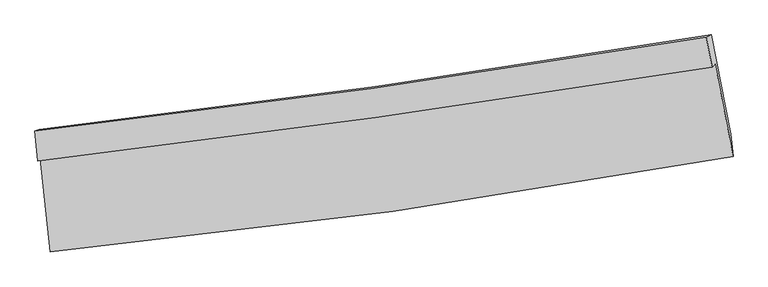
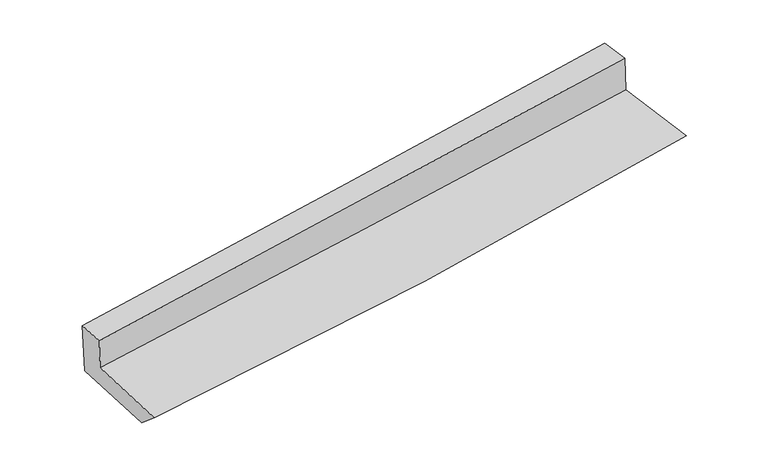
"""IFC4 building model written with IfcOpenShell, lengths in millimetres: proxy geometry."""

from ifc_helpers import new_model, si_unit, frame, origin, place, context, project, spatial, source, transform, mapped, element, save
from ifc_brep_helpers import plane_surface, spline_curve, spline_surface, advanced_brep


def generic_models_8fa0cfa0(model_context):
    return source(origin(), model_context, "Body", "AdvancedBrep", [
        advanced_brep(
        [(-2282.5595, -1833.2584975, 1758.5550822), (-2217.2749921, -2461.0696145, 1698.0776913), (2354.9368721, -1822.0469715, 2063.6975106), (2233.9457394, -1201.7565995, 2114.0509358), (-2298.957143, -1850.8907111, 1999.711835), (2214.503425, -1222.6627164, 2399.9850438), (-2319.2319628, -1651.5815214, 2012.9057552), (2175.278535, -1019.7629262, 2412.1529664), (-2290.7554583, -1639.043055, 1617.4131319), (2208.2211349, -1005.7346133, 1976.9698411), (-2222.5810307, -2299.0214388, 1559.8990354), (2338.1366273, -1671.7778787, 1922.9023249)],
        [
            (0, 1),
            (1, 2, spline_curve(3, [(-2217.2749921, -2461.0696145, 1698.0776913), (-1450.600523563, -2386.765733535, 1752.366590505), (-686.132676726, -2296.341221456, 1809.989437537), (837.93531428, -2083.314457089, 1931.866684662), (1597.538088813, -1960.731421674, 1996.117110727), (2354.9368721, -1822.0469715, 2063.6975106)], [4, 2, 4], [0.0, 7.553725477167856, 15.102947428127841])),
            (2, 3),
            (3, 0, spline_curve(3, [(2233.9457394, -1201.7565995, 2114.0509358), (1482.985697832, -1323.374878171, 2064.944511504), (731.242704867, -1436.795928409, 2010.776988349), (-774.258107192, -1647.306344389, 1892.284410919), (-1528.016860713, -1744.385926741, 1827.953316258), (-2282.5595, -1833.2584975, 1758.5550822)], [4, 2, 4], [0.0, 7.549221950959985, 15.102947428127841])),
            (4, 0),
            (3, 5),
            (5, 4, spline_curve(3, [(2214.503425, -1222.6627164, 2399.9850438), (1463.712783889, -1344.098840424, 2348.387281532), (712.308087884, -1457.156123835, 2289.244496769), (-792.178035241, -1666.575455215, 2155.829098485), (-1545.260195189, -1762.927503406, 2081.547480442), (-2298.957143, -1850.8907111, 1999.711835)], [4, 2, 4], [0.0, 7.502304080544637, 15.009083698206297])),
            (6, 4),
            (5, 7),
            (7, 6, spline_curve(3, [(2175.278535, -1019.7629262, 2412.1529664), (1428.594698922, -1146.146839613, 2360.472691164), (680.822248446, -1261.977793611, 2301.374086419), (-817.346618069, -1472.596586705, 2168.30053617), (-1567.744333585, -1567.371831124, 2094.316737427), (-2319.2319628, -1651.5815214, 2012.9057552)], [4, 2, 4], [0.0, 7.487987695306507, 14.980442387218638])),
            (8, 6),
            (7, 9),
            (9, 8, spline_curve(3, [(2208.2211349, -1005.7346133, 1976.9698411), (1461.495335169, -1132.062725791, 1921.825505621), (713.329943731, -1247.98985049, 1864.299923768), (-786.327202543, -1459.105077856, 1744.450529113), (-1537.820675636, -1554.280766739, 1682.123874695), (-2290.7554583, -1639.043055, 1617.4131319)], [4, 2, 4], [0.0, 7.473914609458861, 14.952287820153417])),
            (10, 8),
            (9, 11),
            (11, 10, spline_curve(3, [(2338.1366273, -1671.7778787, 1922.9023249), (1581.46140092, -1805.887864876, 1866.390000704), (823.1777923, -1925.201981509, 1807.893176697), (-697.059507678, -2134.300826575, 1686.894448866), (-1459.015118157, -2224.067896714, 1624.390176227), (-2222.5810307, -2299.0214388, 1559.8990354)], [4, 2, 4], [0.0, 7.5247963795289525, 15.054081714068666])),
            (1, 10),
            (11, 2),
        ],
        [
            spline_surface(3, 3, [[(-2282.5595, -1833.2584975, 1758.5550822), (-1528.016860596, -1744.385926631, 1827.953316143), (-774.258107191, -1647.306344287, 1892.284410822), (731.242704866, -1436.795928512, 2010.776988447), (1482.985697895, -1323.374878181, 2064.944511619), (2233.9457394, -1201.7565995, 2114.0509358)], [(-2260.797997361, -2042.528869842, 1738.395951913), (-1502.211414926, -1958.512528911, 1802.757740914), (-744.882963713, -1863.651303309, 1864.852753034), (766.806908002, -1652.302104739, 1984.473553885), (1521.169828204, -1535.827059329, 2042.00204469), (2274.276116977, -1408.520056833, 2097.266460733)], [(-2239.036494739, -2251.799242158, 1718.236821587), (-1476.405969271, -2172.639131166, 1777.562165647), (-715.507820217, -2079.996262331, 1837.421095235), (802.371111156, -1867.808280965, 1958.170119313), (1559.353958482, -1748.27924048, 2019.059577763), (2314.606494523, -1615.283514167, 2080.481985667)], [(-2217.2749921, -2461.0696145, 1698.0776913), (-1450.6005236, -2386.765733446, 1752.366590418), (-686.132676739, -2296.341221353, 1809.989437447), (837.935314293, -2083.314457192, 1931.866684751), (1597.538088791, -1960.731421628, 1996.117110833), (2354.9368721, -1822.0469715, 2063.6975106)]], [4, 4], [4, 2, 4], [0.0, 2.1653543613989314], [0.0, 7.553725477167856, 15.102947428127841]),
            spline_surface(3, 3, [[(-2298.957143, -1850.8907111, 1999.711835), (-1545.260195164, -1762.927503514, 2081.547480479), (-792.178035251, -1666.575455236, 2155.829098531), (712.308087894, -1457.156123814, 2289.244496723), (1463.712783984, -1344.098840515, 2348.387281633), (2214.503425, -1222.6627164, 2399.9850438)], [(-2293.491262023, -1845.013306573, 1919.326250718), (-1539.512416998, -1756.746977892, 1997.016092351), (-786.204725867, -1660.152418259, 2067.980869282), (718.619626915, -1450.369392053, 2196.421993952), (1470.137088615, -1337.190853076, 2253.906358301), (2220.984196461, -1215.694010772, 2304.673674473)], [(-2288.025380977, -1839.135902027, 1838.940666482), (-1533.764638762, -1750.566452252, 1912.484704271), (-780.231416575, -1653.729381264, 1980.132640071), (724.931165844, -1443.582660273, 2103.599491218), (1476.561393264, -1330.28286562, 2159.425434951), (2227.464967939, -1208.725305128, 2209.362305127)], [(-2282.5595, -1833.2584975, 1758.5550822), (-1528.016860596, -1744.385926631, 1827.953316143), (-774.258107191, -1647.306344287, 1892.284410822), (731.242704866, -1436.795928512, 2010.776988447), (1482.985697895, -1323.374878181, 2064.944511619), (2233.9457394, -1201.7565995, 2114.0509358)]], [4, 4], [4, 2, 4], [0.0, 0.8935339222188645], [0.0, 7.5067796176616595, 15.009083698206297]),
            spline_surface(3, 3, [[(-2319.2319628, -1651.5815214, 2012.9057552), (-1567.744333669, -1567.371831095, 2094.316737316), (-817.346618161, -1472.596586658, 2168.300536197), (680.822248537, -1261.977793657, 2301.374086392), (1428.594698984, -1146.146839702, 2360.472691274), (2175.278535, -1019.7629262, 2412.1529664)], [(-2312.473689532, -1718.017917959, 2008.50778181), (-1560.249620833, -1632.557055227, 2090.060318381), (-808.957090525, -1537.256209514, 2164.143390316), (691.317528322, -1327.037237039, 2297.330889844), (1440.300727328, -1212.130839974, 2356.444221403), (2188.353498344, -1087.396189601, 2408.09699221)], [(-2305.715416268, -1784.454314541, 2004.10980839), (-1552.754908, -1697.742279382, 2085.803899415), (-800.567562886, -1601.915832381, 2159.986244412), (701.81280811, -1392.096680432, 2293.287693272), (1452.00675564, -1278.114840243, 2352.415751503), (2201.428461656, -1155.029452999, 2404.04101799)], [(-2298.957143, -1850.8907111, 1999.711835), (-1545.260195164, -1762.927503514, 2081.547480479), (-792.178035251, -1666.575455236, 2155.829098531), (712.308087894, -1457.156123814, 2289.244496723), (1463.712783984, -1344.098840515, 2348.387281633), (2214.503425, -1222.6627164, 2399.9850438)]], [4, 4], [4, 2, 4], [0.0, 0.6463697715240129], [0.0, 7.492454691912131, 14.980442387218638]),
            spline_surface(3, 3, [[(-2290.7554583, -1639.043055, 1617.4131319), (-1537.820675628, -1554.280766669, 1682.123874748), (-786.327202553, -1459.105077746, 1744.450529214), (713.329943742, -1247.989850601, 1864.299923667), (1461.49533507, -1132.062725667, 1921.825505621), (2208.2211349, -1005.7346133, 1976.9698411)], [(-2300.247626453, -1643.222543782, 1749.24400633), (-1547.795228296, -1558.644454794, 1819.5214956), (-796.667007759, -1463.602247389, 1885.733864864), (702.494045337, -1252.652498292, 2009.991311231), (1450.528456379, -1136.757430345, 2068.041234164), (2197.240268271, -1010.4107176, 2122.030882859)], [(-2309.739794647, -1647.402032618, 1881.07488077), (-1557.769781002, -1563.008142971, 1956.919116464), (-807.006812955, -1468.099417015, 2027.017200547), (691.658146942, -1257.315145966, 2155.682698828), (1439.561577676, -1141.452135024, 2214.256962731), (2186.259401629, -1015.0868219, 2267.091924641)], [(-2319.2319628, -1651.5815214, 2012.9057552), (-1567.744333669, -1567.371831095, 2094.316737316), (-817.346618161, -1472.596586658, 2168.300536197), (680.822248537, -1261.977793657, 2301.374086392), (1428.594698984, -1146.146839702, 2360.472691274), (2175.278535, -1019.7629262, 2412.1529664)]], [4, 4], [4, 2, 4], [0.0, 1.4168210572051545], [0.0, 7.478373210694556, 14.952287820153417]),
            spline_surface(3, 3, [[(-2222.5810307, -2299.0214388, 1559.8990354), (-1459.015118147, -2224.06789661, 1624.390176201), (-697.059507576, -2134.300826588, 1686.894448752), (823.177792198, -1925.201981497, 1807.893176811), (1581.46140098, -1805.88786487, 1866.390000777), (2338.1366273, -1671.7778787, 1922.9023249)], [(-2245.305839918, -2079.028644197, 1579.070400906), (-1485.283637325, -2000.805519961, 1643.634742389), (-726.815405921, -1909.235576972, 1706.079808921), (786.561842693, -1699.464604529, 1826.695425778), (1541.472712333, -1581.279485137, 1884.868502396), (2294.831463156, -1449.763456901, 1940.924830305)], [(-2268.030649082, -1859.035849603, 1598.241766394), (-1511.55215645, -1777.543143319, 1662.87930856), (-756.571304207, -1684.170327362, 1725.265169045), (749.945893247, -1473.727227568, 1845.4976747), (1501.484023717, -1356.6711054, 1903.347004002), (2251.526299044, -1227.749035099, 1958.947335695)], [(-2290.7554583, -1639.043055, 1617.4131319), (-1537.820675628, -1554.280766669, 1682.123874748), (-786.327202553, -1459.105077746, 1744.450529214), (713.329943742, -1247.989850601, 1864.299923667), (1461.49533507, -1132.062725667, 1921.825505621), (2208.2211349, -1005.7346133, 1976.9698411)]], [4, 4], [4, 2, 4], [0.0, 2.250207523747871], [0.0, 7.529285334539713, 15.054081714068666]),
            spline_surface(3, 3, [[(-2217.2749921, -2461.0696145, 1698.0776913), (-1450.6005236, -2386.765733446, 1752.366590418), (-686.132676739, -2296.341221353, 1809.989437447), (837.935314293, -2083.314457192, 1931.866684751), (1597.538088791, -1960.731421628, 1996.117110833), (2354.9368721, -1822.0469715, 2063.6975106)], [(-2219.043671612, -2407.053555946, 1652.018139324), (-1453.405388428, -2332.533121181, 1709.70778567), (-689.774953685, -2242.327756426, 1768.957774546), (833.016140261, -2030.610298621, 1890.542182101), (1592.179192845, -1909.116902702, 1952.874740802), (2349.336790491, -1771.957273893, 2016.765782021)], [(-2220.812351188, -2353.037497354, 1605.958587376), (-1456.210253319, -2278.300508876, 1667.048980949), (-693.41723063, -2188.314291515, 1727.926111654), (828.09696623, -1977.906140067, 1849.217679461), (1586.820296926, -1857.502383796, 1909.632370808), (2343.736708909, -1721.867576307, 1969.834053479)], [(-2222.5810307, -2299.0214388, 1559.8990354), (-1459.015118147, -2224.06789661, 1624.390176201), (-697.059507576, -2134.300826588, 1686.894448752), (823.177792198, -1925.201981497, 1807.893176811), (1581.46140098, -1805.88786487, 1866.390000777), (2338.1366273, -1671.7778787, 1922.9023249)]], [4, 4], [4, 2, 4], [0.0, 0.6647274587705695], [0.0, 7.590228039802875, 15.175930790593819]),
            plane_surface(frame((2254.1703889, -1323.9569509, 2148.2931038), z_axis=(0.9795508738209867, 0.18456464176875137, 0.08009980402793514), x_axis=(-0.0754433270581699, -0.03212686921147076, 0.9966324140208681))),
            plane_surface(frame((-2271.8933478, -1955.8108064, 1774.4270885), z_axis=(-0.9925846852693037, -0.09603847786412412, -0.07451344401099518), x_axis=(-0.10295827433670184, 0.990102419107142, 0.0953771116347827))),
        ],
        [
            (0, [[1, 2, 3, 4]]),
            (1, [[5, -4, 6, 7]]),
            (2, [[8, -7, 9, 10]]),
            (3, [[11, -10, 12, 13]]),
            (4, [[14, -13, 15, 16]]),
            (5, [[17, -16, 18, -2]]),
            (6, [[-12, -9, -6, -3, -18, -15]]),
            (7, [[-1, -5, -8, -11, -14, -17]]),
        ],
    ),
    ])


if __name__ == "__main__":
    model = new_model("IFC4")
    model_context = context("Model", 3, world=origin())
    ifc_project = project(units=[si_unit("LENGTHUNIT", "METRE", prefix="MILLI")], contexts=[model_context])
    site = spatial("IfcSite", under=ifc_project)
    building = spatial("IfcBuilding", under=site)
    placement = place(None, origin())
    generic_models_shape = generic_models_8fa0cfa0(model_context)
    element("IfcBuildingElementProxy", 1, Name="Generic Models", at=placement, inside=building, context=model_context, shape_type="MappedRepresentation", body=[
        mapped(generic_models_shape, transform((0.0, 0.0, 0.0), x_axis=(1.0, 0.0, 0.0), y_axis=(0.0, 1.0, 0.0), z_axis=(0.0, 0.0, 1.0))),
    ])
    save(model, "model.ifc")
